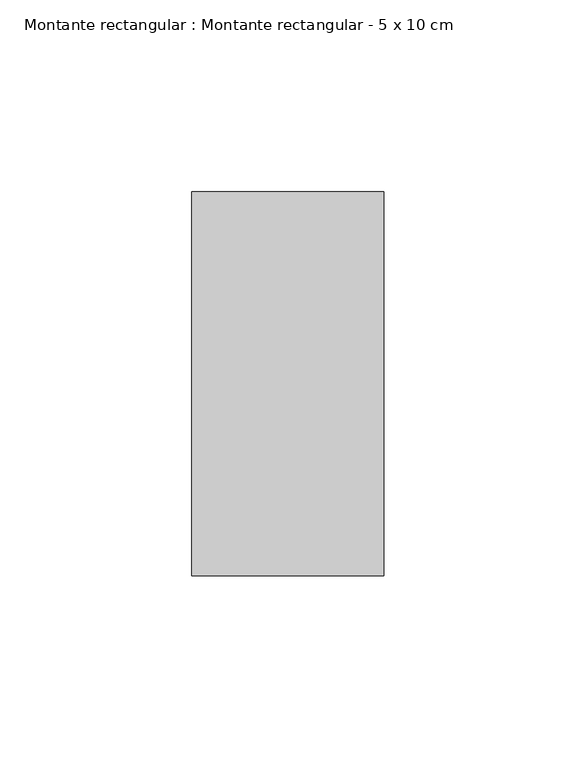
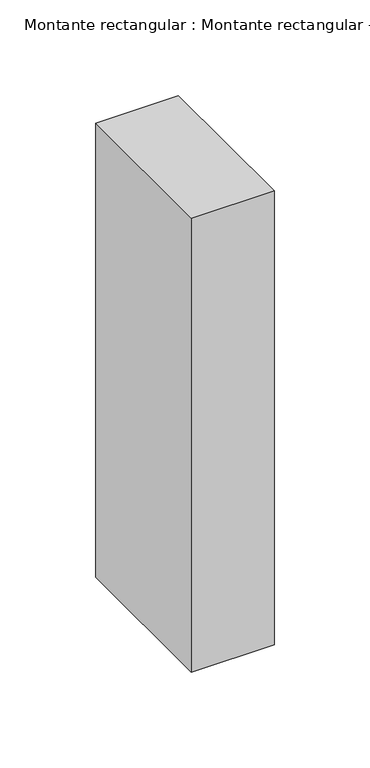
"""IFC4 building model written with IfcOpenShell, lengths in millimetres: member geometry, Montante rectangular : Montante rectangular - 5 x 10 cm."""

from ifc_helpers import new_model, si_unit, frame, origin, place, context, project, spatial, polyline, outline, extrude, source, transform, mapped, element, save


def montante_rectangular_montante_rectangular_5_x_10_cm_628d72ff(model_context):
    return source(origin(), model_context, "Body", "SweptSolid", [
        extrude(outline(polyline([(-50.0, 50.0), (0.0, 50.0), (0.0, -50.0), (-50.0, -50.0), (-50.0, 50.0)])), frame((0.0, 0.0, -290.0), z_axis=(0.0, 0.0, 1.0), x_axis=(1.0, 0.0, 0.0)), (0.0, 0.0, 1.0), 290.0),
    ])


if __name__ == "__main__":
    model = new_model("IFC4")
    model_context = context("Model", 3, world=origin())
    ifc_project = project(units=[si_unit("LENGTHUNIT", "METRE", prefix="MILLI")], contexts=[model_context])
    site = spatial("IfcSite", under=ifc_project)
    building = spatial("IfcBuilding", under=site)
    placement = place(None, origin())
    montante_rectangular_montante_rectangular_5_x_10_cm_shape = montante_rectangular_montante_rectangular_5_x_10_cm_628d72ff(model_context)
    element("IfcMember", 1, ObjectType="Montante rectangular : Montante rectangular - 5 x 10 cm", at=placement, inside=building, context=model_context, shape_type="MappedRepresentation", body=[
        mapped(montante_rectangular_montante_rectangular_5_x_10_cm_shape, transform((0.0, 0.0, 0.0), x_axis=(1.0, 0.0, 0.0), y_axis=(0.0, 1.0, 0.0), z_axis=(0.0, 0.0, 1.0))),
    ])
    save(model, "model.ifc")
